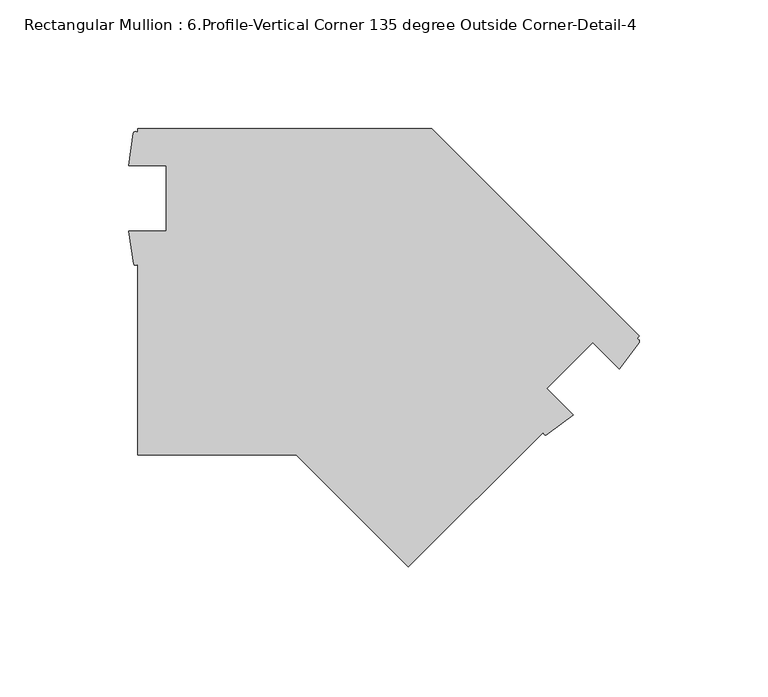
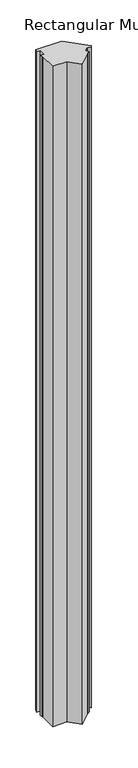
"""IFC4 building model written with IfcOpenShell, lengths in millimetres: member geometry, Rectangular Mullion : 6.Profile-Vertical Corner 135 degree Outside Corner-Detail-4."""

import ifcopenshell
import ifcopenshell.guid

model = None  # the IFC model being written
_history = None  # IfcOwnerHistory: only IFC2X3 demands one
_inside = {}  # id of a spatial element -> (the spatial element, [elements in it])
_under = {}  # id of a project, library or spatial element -> (it, [spatial elements below it])
_declared = {}  # id of a project -> (the project, [libraries it declares])
_typed = {}  # id of a type object -> (the type object, [elements of that type])
_made_of = {}  # id of a material, layer set ... -> (it, [elements and type objects made of it])


def new_model(schema):
    """Start an empty IFC model of exactly this schema.

    Asked for "IFC4X3", IfcOpenShell would pick the latest addendum, in which some entities
    have other attributes; the version numbers below select the first issue.
    IFC2X3 requires an IfcOwnerHistory on every rooted entity: one is made here for all.
    """
    global model, _history
    if schema == "IFC4X3":
        model = ifcopenshell.file(schema_version=(4, 3, 0, 0))
    else:
        model = ifcopenshell.file(schema=schema)
    _inside.clear()
    _under.clear()
    _declared.clear()
    _typed.clear()
    _made_of.clear()
    _history = None
    if model.schema == "IFC2X3":
        org = make("IfcOrganization", Name="unknown")
        user = make(
            "IfcPersonAndOrganization",
            ThePerson=make("IfcPerson", FamilyName="unknown"),
            TheOrganization=org,
        )
        app = make(
            "IfcApplication",
            ApplicationDeveloper=org,
            Version="unknown",
            ApplicationFullName="unknown",
            ApplicationIdentifier="unknown",
        )
        _history = make(
            "IfcOwnerHistory",
            OwningUser=user,
            OwningApplication=app,
            ChangeAction="ADDED",
            CreationDate=0,
        )
    return model


def make(cls, **values):
    """One entity of the class cls with the attributes given. An attribute that is None is left unset."""
    return model.create_entity(
        cls, **{name: value for name, value in values.items() if value is not None}
    )


def rooted(cls, **values):
    """An entity with a GlobalId (a new one), such as an element, a storey or a relation."""
    return make(cls, GlobalId=ifcopenshell.guid.new(), OwnerHistory=_history, **values)


def si_unit(unit_type, name, prefix=None):
    """IfcSIUnit, for example si_unit("LENGTHUNIT", "METRE", prefix="MILLI")."""
    return make("IfcSIUnit", UnitType=unit_type, Prefix=prefix, Name=name)


def assignment(units):
    """IfcUnitAssignment: the units of a project."""
    return None if units is None else make("IfcUnitAssignment", Units=units)


def point(xyz):
    """IfcCartesianPoint."""
    return None if xyz is None else make("IfcCartesianPoint", Coordinates=xyz)


def direction(xyz):
    """IfcDirection."""
    return None if xyz is None else make("IfcDirection", DirectionRatios=xyz)


def frame(location, z_axis=None, x_axis=None):
    """IfcAxis2Placement3D, a coordinate frame: its origin and axes. An axis left out is left unset."""
    return make(
        "IfcAxis2Placement3D",
        Location=point(location),
        Axis=direction(z_axis),
        RefDirection=direction(x_axis),
    )


def frame_2d(location, x_axis=None):
    """IfcAxis2Placement2D, a coordinate frame in the plane: its origin and x axis."""
    return make(
        "IfcAxis2Placement2D", Location=point(location), RefDirection=direction(x_axis)
    )


def origin():
    """The frame at (0, 0, 0) with its axes left unset."""
    return frame((0.0, 0.0, 0.0))


def place(relative_to, where):
    """IfcLocalPlacement: puts the frame where relative to a parent placement (None: the world)."""
    return make(
        "IfcLocalPlacement", PlacementRelTo=relative_to, RelativePlacement=where
    )


def context(
    kind, dimensions, precision=None, world=None, true_north=None, identifier=None
):
    """IfcGeometricRepresentationContext, for example the 3D "Model" context."""
    return make(
        "IfcGeometricRepresentationContext",
        ContextIdentifier=identifier,
        ContextType=kind,
        CoordinateSpaceDimension=dimensions,
        Precision=precision,
        WorldCoordinateSystem=world,
        TrueNorth=true_north,
    )


def project(units=None, contexts=None):
    """IfcProject with its units and contexts."""
    return rooted(
        "IfcProject",
        Name="project",
        RepresentationContexts=contexts,
        UnitsInContext=assignment(units),
    )


def spatial(cls, under=None, at=None, **own):
    """A site, building, storey or space (cls), placed at a placement, below another one or the project."""
    s = rooted(cls, ObjectPlacement=at, **own)
    if under is not None:
        _under.setdefault(under.id(), (under, []))[1].append(s)
    return s


def polyline(points):
    """IfcPolyline through the points."""
    return make("IfcPolyline", Points=[point(p) for p in points])


def circle_curve(where, radius):
    """IfcCircle in the frame where."""
    return make("IfcCircle", Position=where, Radius=radius)


def trimmed(basis, trim1, trim2, sense, master):
    """IfcTrimmedCurve: the piece of a basis curve between two trims."""
    return make(
        "IfcTrimmedCurve",
        BasisCurve=basis,
        Trim1=trim1,
        Trim2=trim2,
        SenseAgreement=sense,
        MasterRepresentation=master,
    )


def segment(curve, same_sense, transition):
    """IfcCompositeCurveSegment."""
    return make(
        "IfcCompositeCurveSegment",
        Transition=transition,
        SameSense=same_sense,
        ParentCurve=curve,
    )


def composite_curve(segments, self_intersect=None):
    """IfcCompositeCurve: segments joined end to end."""
    return make("IfcCompositeCurve", Segments=segments, SelfIntersect=self_intersect)


def outline(outer, holes=None, kind="AREA"):
    """IfcArbitraryClosedProfileDef: a profile drawn as a closed curve; with holes, ...WithVoids."""
    if holes is None:
        return make("IfcArbitraryClosedProfileDef", ProfileType=kind, OuterCurve=outer)
    return make(
        "IfcArbitraryProfileDefWithVoids",
        ProfileType=kind,
        OuterCurve=outer,
        InnerCurves=holes,
    )


def extrude(swept, where, along, depth):
    """IfcExtrudedAreaSolid: the profile swept, set in the frame where, extruded along a direction by depth."""
    return make(
        "IfcExtrudedAreaSolid",
        SweptArea=swept,
        Position=where,
        ExtrudedDirection=direction(along),
        Depth=depth,
    )


def shape(context_of_items, identifier, shape_type, items):
    """IfcShapeRepresentation: the items that make up one representation, for example the "Body"."""
    return make(
        "IfcShapeRepresentation",
        ContextOfItems=context_of_items,
        RepresentationIdentifier=identifier,
        RepresentationType=shape_type,
        Items=items,
    )


def source(mapping_origin, context_of_items, identifier, shape_type, items):
    """IfcRepresentationMap: a shape defined once, which mapped items show again and again."""
    return make(
        "IfcRepresentationMap",
        MappingOrigin=mapping_origin,
        MappedRepresentation=shape(context_of_items, identifier, shape_type, items),
    )


def transform(
    local_origin,
    x_axis=None,
    y_axis=None,
    z_axis=None,
    scale=None,
    scale2=None,
    scale3=None,
    uniform=True,
):
    """IfcCartesianTransformationOperator3D, or its non-uniform kind. x_axis, y_axis, z_axis: its Axis1, 2, 3."""
    if uniform:
        return make(
            "IfcCartesianTransformationOperator3D",
            Axis1=direction(x_axis),
            Axis2=direction(y_axis),
            LocalOrigin=point(local_origin),
            Scale=scale,
            Axis3=direction(z_axis),
        )
    return make(
        "IfcCartesianTransformationOperator3DnonUniform",
        Axis1=direction(x_axis),
        Axis2=direction(y_axis),
        LocalOrigin=point(local_origin),
        Scale=scale,
        Axis3=direction(z_axis),
        Scale2=scale2,
        Scale3=scale3,
    )


def mapped(mapping_source, mapping_target):
    """IfcMappedItem: shows the shape of a source again, moved by a transform."""
    return make(
        "IfcMappedItem", MappingSource=mapping_source, MappingTarget=mapping_target
    )


def made_of(thing, what):
    """Note that an element or type object is made of a material, layer set ...; save() writes the relation."""
    if what is not None:
        _made_of.setdefault(what.id(), (what, []))[1].append(thing)
    return thing


def element(
    cls,
    number,
    at=None,
    inside=None,
    cuts=None,
    type_object=None,
    material=None,
    context=None,
    identifier="Body",
    shape_type=None,
    held_by="IfcProductDefinitionShape",
    body=None,
    shapes=None,
    **own,
):
    """One element of the class cls, such as IfcWall. Its Tag is "e" and its number.

    at: its placement. inside: the storey or other place that contains it. cuts: it is an
    opening in that element (IfcRelVoidsElement). A single representation is given by context,
    identifier, shape_type and body (its items); several are given by shapes. held_by: the class
    of the entity that holds the representations. save() writes the other relations.
    """
    e = rooted(cls, Tag="e%d" % number, ObjectPlacement=at, **own)
    if body is not None:
        shapes = [shape(context, identifier, shape_type, body)]
    if shapes is not None:
        e.Representation = make(held_by, Representations=shapes)
    if inside is not None:
        _inside.setdefault(inside.id(), (inside, []))[1].append(e)
    if cuts is not None:
        rooted(
            "IfcRelVoidsElement", RelatingBuildingElement=cuts, RelatedOpeningElement=e
        )
    if type_object is not None:
        _typed.setdefault(type_object.id(), (type_object, []))[1].append(e)
    return made_of(e, material)


def aggregate(whole, parts):
    """IfcRelAggregates: a whole, such as a stair, and the parts it consists of."""
    return rooted("IfcRelAggregates", RelatingObject=whole, RelatedObjects=parts)


def save(model, path):
    """Write the relations noted so far, then the file.

    IfcRelAggregates (storeys below a building ...), IfcRelContainedInSpatialStructure (elements
    in a storey), IfcRelDefinesByType, IfcRelAssociatesMaterial and IfcRelDeclares: one each for
    every whole, place, type object, material and project.
    """
    for whole, parts in _under.values():
        aggregate(whole, parts)
    for where, things in _inside.values():
        rooted(
            "IfcRelContainedInSpatialStructure",
            RelatedElements=things,
            RelatingStructure=where,
        )
    for kind, things in _typed.values():
        rooted("IfcRelDefinesByType", RelatedObjects=things, RelatingType=kind)
    for what, things in _made_of.values():
        rooted("IfcRelAssociatesMaterial", RelatedObjects=things, RelatingMaterial=what)
    for by, libraries in _declared.values():
        rooted("IfcRelDeclares", RelatingContext=by, RelatedDefinitions=libraries)
    model.write(path)


def rectangular_mullion_6_profile_vertical_corner_135_degree_cd49154e(model_context):
    return source(origin(), model_context, "Body", "SweptSolid", [
        extrude(outline(composite_curve([segment(polyline([(-80.836894, 0.0), (-0.0145889, -80.8223051), (-1.2382176, -82.0459337)]), True, "CONTINUOUS"), segment(trimmed(circle_curve(frame_2d((-0.9083489, -82.8922696)), 0.9083489), [point((-1.2382176, -82.0459337))], [point((-0.062013, -83.2221383))], False, "CARTESIAN"), True, "CONTINUOUS"), segment(polyline([(-0.062013, -83.2221383), (-7.7814521, -93.5665237), (-18.1278539, -83.2201219), (-36.0883661, -101.1806341), (-25.8293074, -111.4396929), (-36.1399081, -119.1904202)]), True, "CONTINUOUS"), segment(trimmed(circle_curve(frame_2d((-36.4700466, -118.3991608)), 0.8573698), [point((-36.1399081, -119.1904202))], [point((-37.2613061, -118.0690223))], False, "CARTESIAN"), True, "CONTINUOUS"), segment(polyline([(-37.2613061, -118.0690223), (-89.8171501, -170.6248663), (-133.4420164, -127.0), (-195.1368938, -127.0), (-195.1368938, -52.6748126)]), True, "CONTINUOUS"), segment(trimmed(circle_curve(frame_2d((-195.929842, -52.2921701)), 0.8804442), [point((-195.1368938, -52.6748126))], [point((-196.7227901, -52.6748126))], False, "CARTESIAN"), True, "CONTINUOUS"), segment(polyline([(-196.7227901, -52.6748126), (-198.5328938, -39.903525), (-184.0243938, -39.903525), (-184.0243938, -14.503525), (-198.6564156, -14.503525), (-196.8002982, -1.7304722)]), True, "CONTINUOUS"), segment(trimmed(circle_curve(frame_2d((-195.968596, -2.202296)), 0.9562145), [point((-196.8002982, -1.7304722))], [point((-195.1368938, -1.7304722))], False, "CARTESIAN"), True, "CONTINUOUS"), segment(polyline([(-195.1368938, -1.7304722), (-195.1368938, 0.0), (-80.836894, 0.0)]), True, "CONTINUOUS")], self_intersect=False)), frame((0.0, 0.0, -3048.0), z_axis=(0.0, 0.0, 1.0), x_axis=(1.0, 0.0, 0.0)), (0.0, 0.0, 1.0), 3048.0),
    ])


if __name__ == "__main__":
    model = new_model("IFC4")
    model_context = context("Model", 3, world=origin())
    ifc_project = project(units=[si_unit("LENGTHUNIT", "METRE", prefix="MILLI")], contexts=[model_context])
    site = spatial("IfcSite", under=ifc_project)
    building = spatial("IfcBuilding", under=site)
    placement = place(None, origin())
    rectangular_mullion_6_profile_vertical_corner_135_degree_shape = rectangular_mullion_6_profile_vertical_corner_135_degree_cd49154e(model_context)
    element("IfcMember", 1, ObjectType="Rectangular Mullion : 6.Profile-Vertical Corner 135 degree Outside Corner-Detail-4", at=placement, inside=building, context=model_context, shape_type="MappedRepresentation", body=[
        mapped(rectangular_mullion_6_profile_vertical_corner_135_degree_shape, transform((0.0, 0.0, 0.0), x_axis=(1.0, 0.0, 0.0), y_axis=(0.0, 1.0, 0.0), z_axis=(0.0, 0.0, 1.0))),
    ])
    save(model, "model.ifc")
